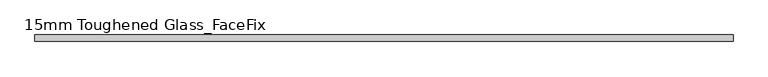
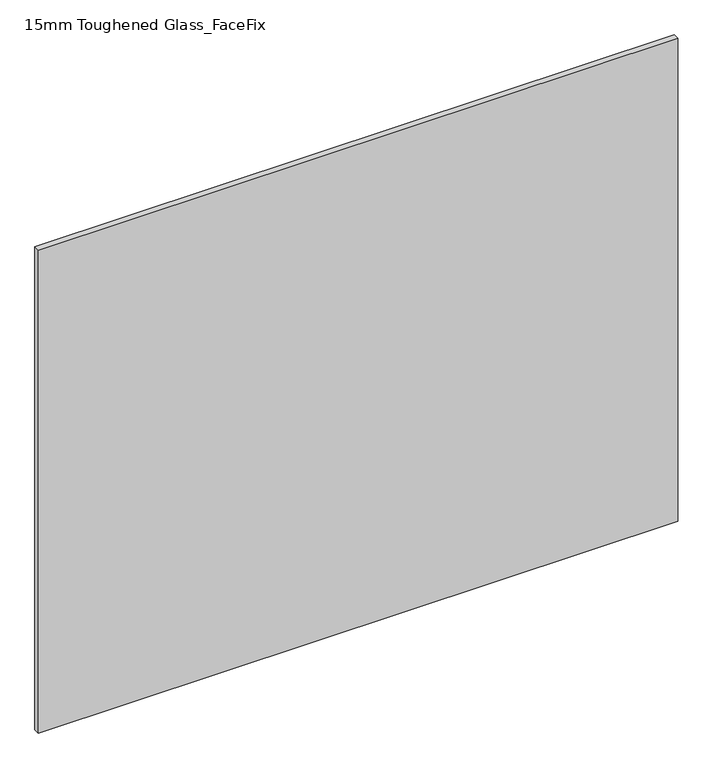
"""IFC4 building model written with IfcOpenShell, lengths in millimetres: plate geometry, 15mm Toughened Glass_FaceFix."""

from ifc_helpers import new_model, si_unit, origin, origin_with_axes, place, context, project, spatial, polyline, outline, extrude, source, transform, mapped, element, save


def plate_15mm_toughened_glass_facefix_eff9cdec(model_context):
    return source(origin(), model_context, "Body", "SweptSolid", [
        extrude(outline(polyline([(795.0000001, -24.5), (795.0000001, -39.5), (-795.0000001, -39.5), (-795.0000001, -24.5), (795.0000001, -24.5)])), origin_with_axes(), (0.0, 0.0, 1.0), 1270.0),
    ])


if __name__ == "__main__":
    model = new_model("IFC4")
    model_context = context("Model", 3, world=origin())
    ifc_project = project(units=[si_unit("LENGTHUNIT", "METRE", prefix="MILLI")], contexts=[model_context])
    site = spatial("IfcSite", under=ifc_project)
    building = spatial("IfcBuilding", under=site)
    placement = place(None, origin())
    plate_15mm_toughened_glass_facefix_shape = plate_15mm_toughened_glass_facefix_eff9cdec(model_context)
    element("IfcPlate", 1, ObjectType="15mm Toughened Glass_FaceFix", at=placement, inside=building, context=model_context, shape_type="MappedRepresentation", body=[
        mapped(plate_15mm_toughened_glass_facefix_shape, transform((0.0, 0.0, 0.0), x_axis=(1.0, 0.0, 0.0), y_axis=(0.0, 1.0, 0.0), z_axis=(0.0, 0.0, 1.0))),
    ])
    save(model, "model.ifc")
